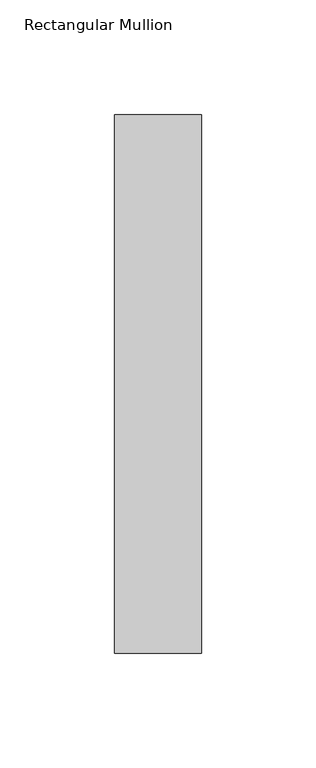
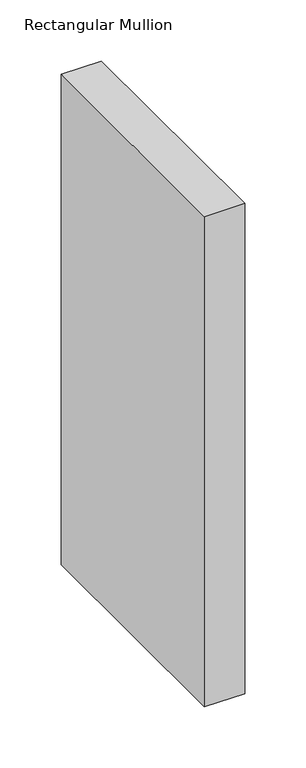
"""IFC4 building model written with IfcOpenShell, lengths in millimetres: member geometry, Rectangular Mullion."""

import ifcopenshell
import ifcopenshell.guid

model = None  # the IFC model being written
_history = None  # IfcOwnerHistory: only IFC2X3 demands one
_inside = {}  # id of a spatial element -> (the spatial element, [elements in it])
_under = {}  # id of a project, library or spatial element -> (it, [spatial elements below it])
_declared = {}  # id of a project -> (the project, [libraries it declares])
_typed = {}  # id of a type object -> (the type object, [elements of that type])
_made_of = {}  # id of a material, layer set ... -> (it, [elements and type objects made of it])


def new_model(schema):
    """Start an empty IFC model of exactly this schema.

    Asked for "IFC4X3", IfcOpenShell would pick the latest addendum, in which some entities
    have other attributes; the version numbers below select the first issue.
    IFC2X3 requires an IfcOwnerHistory on every rooted entity: one is made here for all.
    """
    global model, _history
    if schema == "IFC4X3":
        model = ifcopenshell.file(schema_version=(4, 3, 0, 0))
    else:
        model = ifcopenshell.file(schema=schema)
    _inside.clear()
    _under.clear()
    _declared.clear()
    _typed.clear()
    _made_of.clear()
    _history = None
    if model.schema == "IFC2X3":
        org = make("IfcOrganization", Name="unknown")
        user = make(
            "IfcPersonAndOrganization",
            ThePerson=make("IfcPerson", FamilyName="unknown"),
            TheOrganization=org,
        )
        app = make(
            "IfcApplication",
            ApplicationDeveloper=org,
            Version="unknown",
            ApplicationFullName="unknown",
            ApplicationIdentifier="unknown",
        )
        _history = make(
            "IfcOwnerHistory",
            OwningUser=user,
            OwningApplication=app,
            ChangeAction="ADDED",
            CreationDate=0,
        )
    return model


def make(cls, **values):
    """One entity of the class cls with the attributes given. An attribute that is None is left unset."""
    return model.create_entity(
        cls, **{name: value for name, value in values.items() if value is not None}
    )


def rooted(cls, **values):
    """An entity with a GlobalId (a new one), such as an element, a storey or a relation."""
    return make(cls, GlobalId=ifcopenshell.guid.new(), OwnerHistory=_history, **values)


def si_unit(unit_type, name, prefix=None):
    """IfcSIUnit, for example si_unit("LENGTHUNIT", "METRE", prefix="MILLI")."""
    return make("IfcSIUnit", UnitType=unit_type, Prefix=prefix, Name=name)


def assignment(units):
    """IfcUnitAssignment: the units of a project."""
    return None if units is None else make("IfcUnitAssignment", Units=units)


def point(xyz):
    """IfcCartesianPoint."""
    return None if xyz is None else make("IfcCartesianPoint", Coordinates=xyz)


def direction(xyz):
    """IfcDirection."""
    return None if xyz is None else make("IfcDirection", DirectionRatios=xyz)


def frame(location, z_axis=None, x_axis=None):
    """IfcAxis2Placement3D, a coordinate frame: its origin and axes. An axis left out is left unset."""
    return make(
        "IfcAxis2Placement3D",
        Location=point(location),
        Axis=direction(z_axis),
        RefDirection=direction(x_axis),
    )


def origin():
    """The frame at (0, 0, 0) with its axes left unset."""
    return frame((0.0, 0.0, 0.0))


def place(relative_to, where):
    """IfcLocalPlacement: puts the frame where relative to a parent placement (None: the world)."""
    return make(
        "IfcLocalPlacement", PlacementRelTo=relative_to, RelativePlacement=where
    )


def context(
    kind, dimensions, precision=None, world=None, true_north=None, identifier=None
):
    """IfcGeometricRepresentationContext, for example the 3D "Model" context."""
    return make(
        "IfcGeometricRepresentationContext",
        ContextIdentifier=identifier,
        ContextType=kind,
        CoordinateSpaceDimension=dimensions,
        Precision=precision,
        WorldCoordinateSystem=world,
        TrueNorth=true_north,
    )


def project(units=None, contexts=None):
    """IfcProject with its units and contexts."""
    return rooted(
        "IfcProject",
        Name="project",
        RepresentationContexts=contexts,
        UnitsInContext=assignment(units),
    )


def spatial(cls, under=None, at=None, **own):
    """A site, building, storey or space (cls), placed at a placement, below another one or the project."""
    s = rooted(cls, ObjectPlacement=at, **own)
    if under is not None:
        _under.setdefault(under.id(), (under, []))[1].append(s)
    return s


def polyline(points):
    """IfcPolyline through the points."""
    return make("IfcPolyline", Points=[point(p) for p in points])


def outline(outer, holes=None, kind="AREA"):
    """IfcArbitraryClosedProfileDef: a profile drawn as a closed curve; with holes, ...WithVoids."""
    if holes is None:
        return make("IfcArbitraryClosedProfileDef", ProfileType=kind, OuterCurve=outer)
    return make(
        "IfcArbitraryProfileDefWithVoids",
        ProfileType=kind,
        OuterCurve=outer,
        InnerCurves=holes,
    )


def extrude(swept, where, along, depth):
    """IfcExtrudedAreaSolid: the profile swept, set in the frame where, extruded along a direction by depth."""
    return make(
        "IfcExtrudedAreaSolid",
        SweptArea=swept,
        Position=where,
        ExtrudedDirection=direction(along),
        Depth=depth,
    )


def shape(context_of_items, identifier, shape_type, items):
    """IfcShapeRepresentation: the items that make up one representation, for example the "Body"."""
    return make(
        "IfcShapeRepresentation",
        ContextOfItems=context_of_items,
        RepresentationIdentifier=identifier,
        RepresentationType=shape_type,
        Items=items,
    )


def source(mapping_origin, context_of_items, identifier, shape_type, items):
    """IfcRepresentationMap: a shape defined once, which mapped items show again and again."""
    return make(
        "IfcRepresentationMap",
        MappingOrigin=mapping_origin,
        MappedRepresentation=shape(context_of_items, identifier, shape_type, items),
    )


def transform(
    local_origin,
    x_axis=None,
    y_axis=None,
    z_axis=None,
    scale=None,
    scale2=None,
    scale3=None,
    uniform=True,
):
    """IfcCartesianTransformationOperator3D, or its non-uniform kind. x_axis, y_axis, z_axis: its Axis1, 2, 3."""
    if uniform:
        return make(
            "IfcCartesianTransformationOperator3D",
            Axis1=direction(x_axis),
            Axis2=direction(y_axis),
            LocalOrigin=point(local_origin),
            Scale=scale,
            Axis3=direction(z_axis),
        )
    return make(
        "IfcCartesianTransformationOperator3DnonUniform",
        Axis1=direction(x_axis),
        Axis2=direction(y_axis),
        LocalOrigin=point(local_origin),
        Scale=scale,
        Axis3=direction(z_axis),
        Scale2=scale2,
        Scale3=scale3,
    )


def mapped(mapping_source, mapping_target):
    """IfcMappedItem: shows the shape of a source again, moved by a transform."""
    return make(
        "IfcMappedItem", MappingSource=mapping_source, MappingTarget=mapping_target
    )


def made_of(thing, what):
    """Note that an element or type object is made of a material, layer set ...; save() writes the relation."""
    if what is not None:
        _made_of.setdefault(what.id(), (what, []))[1].append(thing)
    return thing


def element(
    cls,
    number,
    at=None,
    inside=None,
    cuts=None,
    type_object=None,
    material=None,
    context=None,
    identifier="Body",
    shape_type=None,
    held_by="IfcProductDefinitionShape",
    body=None,
    shapes=None,
    **own,
):
    """One element of the class cls, such as IfcWall. Its Tag is "e" and its number.

    at: its placement. inside: the storey or other place that contains it. cuts: it is an
    opening in that element (IfcRelVoidsElement). A single representation is given by context,
    identifier, shape_type and body (its items); several are given by shapes. held_by: the class
    of the entity that holds the representations. save() writes the other relations.
    """
    e = rooted(cls, Tag="e%d" % number, ObjectPlacement=at, **own)
    if body is not None:
        shapes = [shape(context, identifier, shape_type, body)]
    if shapes is not None:
        e.Representation = make(held_by, Representations=shapes)
    if inside is not None:
        _inside.setdefault(inside.id(), (inside, []))[1].append(e)
    if cuts is not None:
        rooted(
            "IfcRelVoidsElement", RelatingBuildingElement=cuts, RelatedOpeningElement=e
        )
    if type_object is not None:
        _typed.setdefault(type_object.id(), (type_object, []))[1].append(e)
    return made_of(e, material)


def aggregate(whole, parts):
    """IfcRelAggregates: a whole, such as a stair, and the parts it consists of."""
    return rooted("IfcRelAggregates", RelatingObject=whole, RelatedObjects=parts)


def save(model, path):
    """Write the relations noted so far, then the file.

    IfcRelAggregates (storeys below a building ...), IfcRelContainedInSpatialStructure (elements
    in a storey), IfcRelDefinesByType, IfcRelAssociatesMaterial and IfcRelDeclares: one each for
    every whole, place, type object, material and project.
    """
    for whole, parts in _under.values():
        aggregate(whole, parts)
    for where, things in _inside.values():
        rooted(
            "IfcRelContainedInSpatialStructure",
            RelatedElements=things,
            RelatingStructure=where,
        )
    for kind, things in _typed.values():
        rooted("IfcRelDefinesByType", RelatedObjects=things, RelatingType=kind)
    for what, things in _made_of.values():
        rooted("IfcRelAssociatesMaterial", RelatedObjects=things, RelatingMaterial=what)
    for by, libraries in _declared.values():
        rooted("IfcRelDeclares", RelatingContext=by, RelatedDefinitions=libraries)
    model.write(path)


def rectangular_mullion_b7f3a4a9(model_context):
    return source(origin(), model_context, "Body", "SweptSolid", [
        extrude(outline(polyline([(0.0, 235.0), (0.0, 0.0), (-38.0, 0.0), (-38.0, 235.0), (0.0, 235.0)])), frame((0.0, 0.0, -490.4999998), z_axis=(0.0, 0.0, 1.0), x_axis=(1.0, 0.0, 0.0)), (0.0, 0.0, 1.0), 490.4999998),
    ])


if __name__ == "__main__":
    model = new_model("IFC4")
    model_context = context("Model", 3, world=origin())
    ifc_project = project(units=[si_unit("LENGTHUNIT", "METRE", prefix="MILLI")], contexts=[model_context])
    site = spatial("IfcSite", under=ifc_project)
    building = spatial("IfcBuilding", under=site)
    placement = place(None, origin())
    rectangular_mullion_shape = rectangular_mullion_b7f3a4a9(model_context)
    element("IfcMember", 1, ObjectType="Rectangular Mullion", at=placement, inside=building, context=model_context, shape_type="MappedRepresentation", body=[
        mapped(rectangular_mullion_shape, transform((0.0, 0.0, 0.0), x_axis=(1.0, 0.0, 0.0), y_axis=(0.0, 1.0, 0.0), z_axis=(0.0, 0.0, 1.0))),
    ])
    save(model, "model.ifc")
